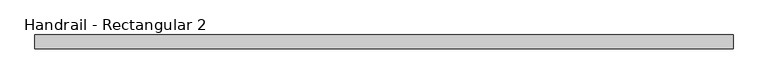
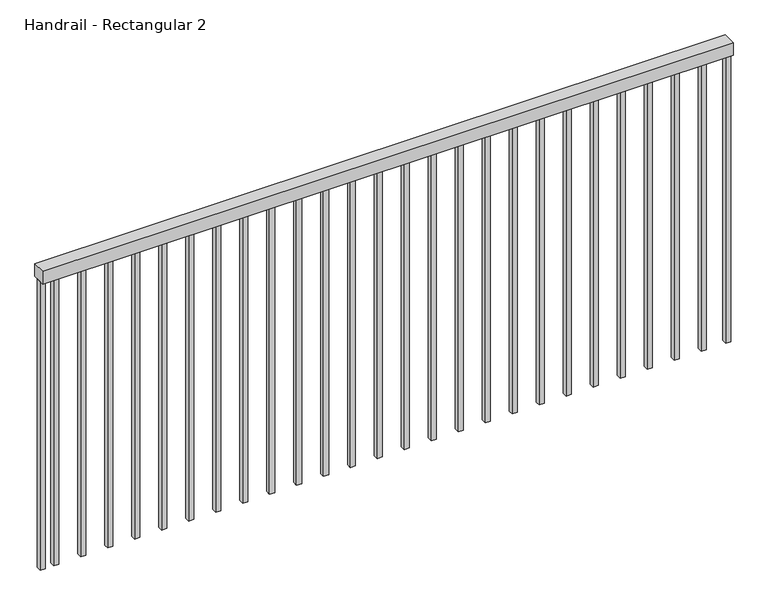
"""IFC4 building model written with IfcOpenShell, lengths in millimetres: railing geometry, Handrail - Rectangular 2."""

from ifc_helpers import new_model, si_unit, frame, origin, place, context, project, spatial, polyline, outline, extrude, source, transform, mapped, element, save


def handrail_rectangular_2_75f14833(model_context):
    return source(origin(), model_context, "Body", "SweptSolid", [
        extrude(outline(polyline([(3396.5282871, 1248.925351), (3396.5282871, 1198.125351), (796.5282871, 1198.125351), (796.5282871, 1248.925351), (3396.5282871, 1248.925351)])), frame((0.0, 0.0, 4189.2), z_axis=(0.0, 0.0, 1.0), x_axis=(1.0, 0.0, 0.0)), (0.0, 0.0, 1.0), 50.8),
        extrude(outline(polyline([(866.0532871, 1233.050351), (866.0532871, 1214.000351), (847.0032871, 1214.000351), (847.0032871, 1233.050351), (866.0532871, 1233.050351)])), frame((0.0, 0.0, 3040.0), z_axis=(0.0, 0.0, 1.0), x_axis=(1.0, 0.0, 0.0)), (0.0, 0.0, 1.0), 1149.2),
        extrude(outline(polyline([(967.6532871, 1233.050351), (967.6532871, 1214.000351), (948.6032871, 1214.000351), (948.6032871, 1233.050351), (967.6532871, 1233.050351)])), frame((0.0, 0.0, 3040.0), z_axis=(0.0, 0.0, 1.0), x_axis=(1.0, 0.0, 0.0)), (0.0, 0.0, 1.0), 1149.2),
        extrude(outline(polyline([(1069.2532871, 1233.050351), (1069.2532871, 1214.000351), (1050.2032871, 1214.000351), (1050.2032871, 1233.050351), (1069.2532871, 1233.050351)])), frame((0.0, 0.0, 3040.0), z_axis=(0.0, 0.0, 1.0), x_axis=(1.0, 0.0, 0.0)), (0.0, 0.0, 1.0), 1149.2),
        extrude(outline(polyline([(1170.8532871, 1233.050351), (1170.8532871, 1214.000351), (1151.8032871, 1214.000351), (1151.8032871, 1233.050351), (1170.8532871, 1233.050351)])), frame((0.0, 0.0, 3040.0), z_axis=(0.0, 0.0, 1.0), x_axis=(1.0, 0.0, 0.0)), (0.0, 0.0, 1.0), 1149.2),
        extrude(outline(polyline([(1272.4532871, 1233.050351), (1272.4532871, 1214.000351), (1253.4032871, 1214.000351), (1253.4032871, 1233.050351), (1272.4532871, 1233.050351)])), frame((0.0, 0.0, 3040.0), z_axis=(0.0, 0.0, 1.0), x_axis=(1.0, 0.0, 0.0)), (0.0, 0.0, 1.0), 1149.2),
        extrude(outline(polyline([(1374.0532871, 1233.050351), (1374.0532871, 1214.000351), (1355.0032871, 1214.000351), (1355.0032871, 1233.050351), (1374.0532871, 1233.050351)])), frame((0.0, 0.0, 3040.0), z_axis=(0.0, 0.0, 1.0), x_axis=(1.0, 0.0, 0.0)), (0.0, 0.0, 1.0), 1149.2),
        extrude(outline(polyline([(1475.6532871, 1233.050351), (1475.6532871, 1214.000351), (1456.6032871, 1214.000351), (1456.6032871, 1233.050351), (1475.6532871, 1233.050351)])), frame((0.0, 0.0, 3040.0), z_axis=(0.0, 0.0, 1.0), x_axis=(1.0, 0.0, 0.0)), (0.0, 0.0, 1.0), 1149.2),
        extrude(outline(polyline([(1577.2532871, 1233.050351), (1577.2532871, 1214.000351), (1558.2032871, 1214.000351), (1558.2032871, 1233.050351), (1577.2532871, 1233.050351)])), frame((0.0, 0.0, 3040.0), z_axis=(0.0, 0.0, 1.0), x_axis=(1.0, 0.0, 0.0)), (0.0, 0.0, 1.0), 1149.2),
        extrude(outline(polyline([(1678.8532871, 1233.050351), (1678.8532871, 1214.000351), (1659.8032871, 1214.000351), (1659.8032871, 1233.050351), (1678.8532871, 1233.050351)])), frame((0.0, 0.0, 3040.0), z_axis=(0.0, 0.0, 1.0), x_axis=(1.0, 0.0, 0.0)), (0.0, 0.0, 1.0), 1149.2),
        extrude(outline(polyline([(1780.4532871, 1233.050351), (1780.4532871, 1214.000351), (1761.4032871, 1214.000351), (1761.4032871, 1233.050351), (1780.4532871, 1233.050351)])), frame((0.0, 0.0, 3040.0), z_axis=(0.0, 0.0, 1.0), x_axis=(1.0, 0.0, 0.0)), (0.0, 0.0, 1.0), 1149.2),
        extrude(outline(polyline([(1882.0532871, 1233.050351), (1882.0532871, 1214.000351), (1863.0032871, 1214.000351), (1863.0032871, 1233.050351), (1882.0532871, 1233.050351)])), frame((0.0, 0.0, 3040.0), z_axis=(0.0, 0.0, 1.0), x_axis=(1.0, 0.0, 0.0)), (0.0, 0.0, 1.0), 1149.2),
        extrude(outline(polyline([(1983.6532871, 1233.050351), (1983.6532871, 1214.000351), (1964.6032871, 1214.000351), (1964.6032871, 1233.050351), (1983.6532871, 1233.050351)])), frame((0.0, 0.0, 3040.0), z_axis=(0.0, 0.0, 1.0), x_axis=(1.0, 0.0, 0.0)), (0.0, 0.0, 1.0), 1149.2),
        extrude(outline(polyline([(2085.2532871, 1233.050351), (2085.2532871, 1214.000351), (2066.2032871, 1214.000351), (2066.2032871, 1233.050351), (2085.2532871, 1233.050351)])), frame((0.0, 0.0, 3040.0), z_axis=(0.0, 0.0, 1.0), x_axis=(1.0, 0.0, 0.0)), (0.0, 0.0, 1.0), 1149.2),
        extrude(outline(polyline([(2186.8532871, 1233.050351), (2186.8532871, 1214.000351), (2167.8032871, 1214.000351), (2167.8032871, 1233.050351), (2186.8532871, 1233.050351)])), frame((0.0, 0.0, 3040.0), z_axis=(0.0, 0.0, 1.0), x_axis=(1.0, 0.0, 0.0)), (0.0, 0.0, 1.0), 1149.2),
        extrude(outline(polyline([(2288.4532871, 1233.050351), (2288.4532871, 1214.000351), (2269.4032871, 1214.000351), (2269.4032871, 1233.050351), (2288.4532871, 1233.050351)])), frame((0.0, 0.0, 3040.0), z_axis=(0.0, 0.0, 1.0), x_axis=(1.0, 0.0, 0.0)), (0.0, 0.0, 1.0), 1149.2),
        extrude(outline(polyline([(2390.0532871, 1233.050351), (2390.0532871, 1214.000351), (2371.0032871, 1214.000351), (2371.0032871, 1233.050351), (2390.0532871, 1233.050351)])), frame((0.0, 0.0, 3040.0), z_axis=(0.0, 0.0, 1.0), x_axis=(1.0, 0.0, 0.0)), (0.0, 0.0, 1.0), 1149.2),
        extrude(outline(polyline([(2491.6532871, 1233.050351), (2491.6532871, 1214.000351), (2472.6032871, 1214.000351), (2472.6032871, 1233.050351), (2491.6532871, 1233.050351)])), frame((0.0, 0.0, 3040.0), z_axis=(0.0, 0.0, 1.0), x_axis=(1.0, 0.0, 0.0)), (0.0, 0.0, 1.0), 1149.2),
        extrude(outline(polyline([(2593.2532871, 1233.050351), (2593.2532871, 1214.000351), (2574.2032871, 1214.000351), (2574.2032871, 1233.050351), (2593.2532871, 1233.050351)])), frame((0.0, 0.0, 3040.0), z_axis=(0.0, 0.0, 1.0), x_axis=(1.0, 0.0, 0.0)), (0.0, 0.0, 1.0), 1149.2),
        extrude(outline(polyline([(2694.8532871, 1233.050351), (2694.8532871, 1214.000351), (2675.8032871, 1214.000351), (2675.8032871, 1233.050351), (2694.8532871, 1233.050351)])), frame((0.0, 0.0, 3040.0), z_axis=(0.0, 0.0, 1.0), x_axis=(1.0, 0.0, 0.0)), (0.0, 0.0, 1.0), 1149.2),
        extrude(outline(polyline([(2796.4532871, 1233.050351), (2796.4532871, 1214.000351), (2777.4032871, 1214.000351), (2777.4032871, 1233.050351), (2796.4532871, 1233.050351)])), frame((0.0, 0.0, 3040.0), z_axis=(0.0, 0.0, 1.0), x_axis=(1.0, 0.0, 0.0)), (0.0, 0.0, 1.0), 1149.2),
        extrude(outline(polyline([(2898.0532871, 1233.050351), (2898.0532871, 1214.000351), (2879.0032871, 1214.000351), (2879.0032871, 1233.050351), (2898.0532871, 1233.050351)])), frame((0.0, 0.0, 3040.0), z_axis=(0.0, 0.0, 1.0), x_axis=(1.0, 0.0, 0.0)), (0.0, 0.0, 1.0), 1149.2),
        extrude(outline(polyline([(2999.6532871, 1233.050351), (2999.6532871, 1214.000351), (2980.6032871, 1214.000351), (2980.6032871, 1233.050351), (2999.6532871, 1233.050351)])), frame((0.0, 0.0, 3040.0), z_axis=(0.0, 0.0, 1.0), x_axis=(1.0, 0.0, 0.0)), (0.0, 0.0, 1.0), 1149.2),
        extrude(outline(polyline([(3101.2532871, 1233.050351), (3101.2532871, 1214.000351), (3082.2032871, 1214.000351), (3082.2032871, 1233.050351), (3101.2532871, 1233.050351)])), frame((0.0, 0.0, 3040.0), z_axis=(0.0, 0.0, 1.0), x_axis=(1.0, 0.0, 0.0)), (0.0, 0.0, 1.0), 1149.2),
        extrude(outline(polyline([(3202.8532871, 1233.050351), (3202.8532871, 1214.000351), (3183.8032871, 1214.000351), (3183.8032871, 1233.050351), (3202.8532871, 1233.050351)])), frame((0.0, 0.0, 3040.0), z_axis=(0.0, 0.0, 1.0), x_axis=(1.0, 0.0, 0.0)), (0.0, 0.0, 1.0), 1149.2),
        extrude(outline(polyline([(3304.4532871, 1233.050351), (3304.4532871, 1214.000351), (3285.4032871, 1214.000351), (3285.4032871, 1233.050351), (3304.4532871, 1233.050351)])), frame((0.0, 0.0, 3040.0), z_axis=(0.0, 0.0, 1.0), x_axis=(1.0, 0.0, 0.0)), (0.0, 0.0, 1.0), 1149.2),
        extrude(outline(polyline([(815.5532871, 1233.050351), (815.5532871, 1214.000351), (796.5032871, 1214.000351), (796.5032871, 1233.050351), (815.5532871, 1233.050351)])), frame((0.0, 0.0, 3040.0), z_axis=(0.0, 0.0, 1.0), x_axis=(1.0, 0.0, 0.0)), (0.0, 0.0, 1.0), 1149.2),
        extrude(outline(polyline([(3396.5532871, 1233.050351), (3396.5532871, 1214.000351), (3377.5032871, 1214.000351), (3377.5032871, 1233.050351), (3396.5532871, 1233.050351)])), frame((0.0, 0.0, 3040.0), z_axis=(0.0, 0.0, 1.0), x_axis=(1.0, 0.0, 0.0)), (0.0, 0.0, 1.0), 1149.2),
    ])


if __name__ == "__main__":
    model = new_model("IFC4")
    model_context = context("Model", 3, world=origin())
    ifc_project = project(units=[si_unit("LENGTHUNIT", "METRE", prefix="MILLI")], contexts=[model_context])
    site = spatial("IfcSite", under=ifc_project)
    building = spatial("IfcBuilding", under=site)
    placement = place(None, origin())
    handrail_rectangular_2_shape = handrail_rectangular_2_75f14833(model_context)
    element("IfcRailing", 1, ObjectType="Handrail - Rectangular 2", at=placement, inside=building, context=model_context, shape_type="MappedRepresentation", body=[
        mapped(handrail_rectangular_2_shape, transform((0.0, 0.0, 0.0), x_axis=(1.0, 0.0, 0.0), y_axis=(0.0, 1.0, 0.0), z_axis=(0.0, 0.0, 1.0))),
    ])
    save(model, "model.ifc")
